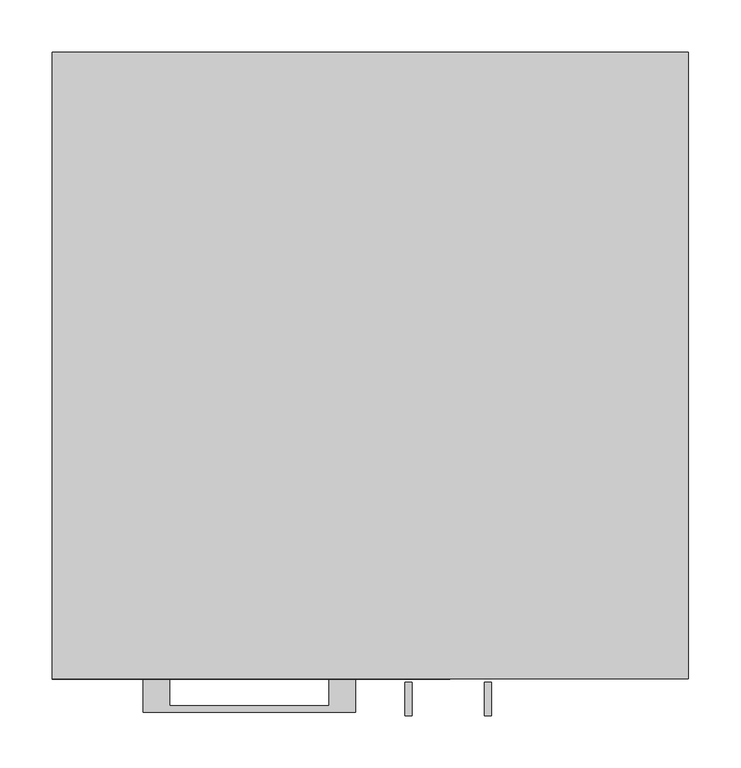
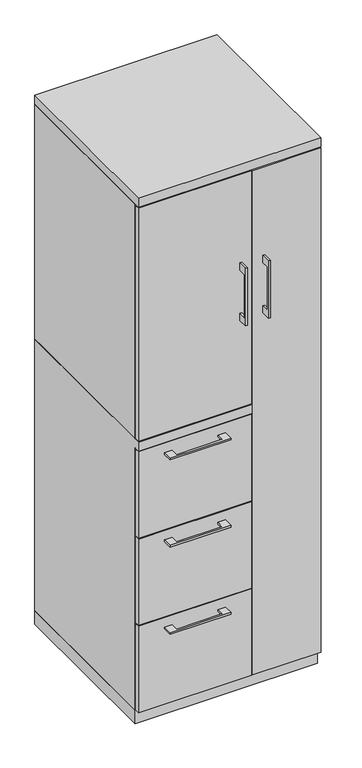
"""IFC4 building model written with IfcOpenShell, lengths in millimetres: furniture geometry."""

from ifc_helpers import new_model, si_unit, frame, origin, origin_with_axes, place, context, project, spatial, polyline, outline, extrude, faceted_brep, source, transform, mapped, element, save


def furniture_9db1c1f6(model_context):
    return source(origin(), model_context, "Body", "SolidModel", [
        extrude(outline(polyline([(-192.0874818, -600.075), (-192.0874818, -625.4749758), (-39.6875, -625.4749758), (-39.6875, -600.075), (-14.2875061, -600.075), (-14.2875061, -631.8249879), (-217.4874939, -631.8249879), (-217.4874939, -600.075), (-192.0874818, -600.075)])), frame((0.0, 0.0, 931.8625506), z_axis=(0.0, 0.0, 1.0), x_axis=(1.0, 0.0, 0.0)), (0.0, 0.0, 1.0), 6.3499758),
        extrude(outline(polyline([(73.025, -581.025), (73.025, -600.075), (-304.8, -600.075), (-304.8, -581.025), (73.025, -581.025)])), frame((0.0, 0.0, 666.75), z_axis=(0.0, 0.0, 1.0), x_axis=(1.0, 0.0, 0.0)), (0.0, 0.0, 1.0), 304.8),
        extrude(outline(polyline([(-603.25, 1497.0125), (-628.6499758, 1497.0125), (-628.6499758, 1344.6125), (-603.25, 1344.6125), (-603.25, 1319.2125), (-634.9999879, 1319.2125), (-634.9999879, 1522.4125), (-603.25, 1522.4125), (-603.25, 1497.0125)])), frame((33.3375121, 0.0, 0.0), z_axis=(1.0, 0.0, 0.0), x_axis=(0.0, 1.0, 0.0)), (0.0, 0.0, 1.0), 6.3499758),
        extrude(outline(polyline([(-304.8, -600.075), (-304.8, -581.025), (73.025, -581.025), (73.025, -600.075), (-304.8, -600.075)])), frame((0.0, 0.0, 1009.65), z_axis=(0.0, 0.0, 1.0), x_axis=(1.0, 0.0, 0.0)), (0.0, 0.0, 1.0), 822.325),
        extrude(outline(polyline([(-192.0874818, -600.075), (-192.0874818, -625.4749758), (-39.6875, -625.4749758), (-39.6875, -600.075), (-14.2875061, -600.075), (-14.2875061, -631.8249879), (-217.4874939, -631.8249879), (-217.4874939, -600.075), (-192.0874818, -600.075)])), frame((0.0, 0.0, 623.8875506), z_axis=(0.0, 0.0, 1.0), x_axis=(1.0, 0.0, 0.0)), (0.0, 0.0, 1.0), 6.3499758),
        extrude(outline(polyline([(73.025, -581.025), (73.025, -600.075), (-304.8, -600.075), (-304.8, -581.025), (73.025, -581.025)])), frame((0.0, 0.0, 358.775), z_axis=(0.0, 0.0, 1.0), x_axis=(1.0, 0.0, 0.0)), (0.0, 0.0, 1.0), 304.8),
        extrude(outline(polyline([(-603.25, 1497.0125), (-628.6499758, 1497.0125), (-628.6499758, 1344.6125), (-603.25, 1344.6125), (-603.25, 1319.2125), (-634.9999879, 1319.2125), (-634.9999879, 1522.4125), (-603.25, 1522.4125), (-603.25, 1497.0125)])), frame((109.5375121, 0.0, 0.0), z_axis=(1.0, 0.0, 0.0), x_axis=(0.0, 1.0, 0.0)), (0.0, 0.0, 1.0), 6.3499758),
        extrude(outline(polyline([(304.8, -600.075), (76.2, -600.075), (76.2, -581.025), (304.8, -581.025), (304.8, -600.075)])), frame((0.0, 0.0, 50.8), z_axis=(0.0, 0.0, 1.0), x_axis=(1.0, 0.0, 0.0)), (0.0, 0.0, 1.0), 1781.175),
        extrude(outline(polyline([(-192.0874818, -600.075), (-192.0874818, -625.4749758), (-39.6875, -625.4749758), (-39.6875, -600.075), (-14.2875061, -600.075), (-14.2875061, -631.8249879), (-217.4874939, -631.8249879), (-217.4874939, -600.075), (-192.0874818, -600.075)])), frame((0.0, 0.0, 315.9125506), z_axis=(0.0, 0.0, 1.0), x_axis=(1.0, 0.0, 0.0)), (0.0, 0.0, 1.0), 6.3499758),
        extrude(outline(polyline([(73.025, -581.025), (73.025, -600.075), (-304.8, -600.075), (-304.8, -581.025), (73.025, -581.025)])), frame((0.0, 0.0, 50.8), z_axis=(0.0, 0.0, 1.0), x_axis=(1.0, 0.0, 0.0)), (0.0, 0.0, 1.0), 304.8),
        faceted_brep([(-304.8, -581.025, 47.625), (-304.8, 0.0, 47.625), (76.2, 0.0, 47.625), (76.2, -581.025, 47.625), (-304.8, 0.0, 1006.475), (76.2, 0.0, 1006.475), (-304.8, -581.025, 974.725), (-304.8, -600.075, 974.725), (-304.8, -600.075, 1006.475), (76.2, -581.025, 974.725), (57.15, -581.025, 974.725), (76.2, -581.025, 1835.15), (57.15, -581.025, 1835.15), (57.15, -581.025, 1006.475), (76.2, -581.025, 1006.475), (76.2, -19.05, 1006.475), (76.2, -19.05, 1835.15), (76.2, -600.075, 1006.475), (76.2, -600.075, 974.725), (57.15, -19.05, 1835.15), (57.15, -19.05, 1006.475)], [[[0, 1, 2, 3]], [[2, 1, 4, 5]], [[4, 1, 0, 6, 7, 8]], [[6, 0, 3, 9, 10]], [[11, 12, 13, 14]], [[2, 5, 15, 16, 11, 14, 17, 18, 9, 3]], [[16, 19, 12, 11]], [[19, 16, 15, 20]], [[12, 19, 20, 13]], [[5, 4, 8, 17, 14, 13, 20, 15]], [[18, 7, 6, 10, 9]], [[17, 8, 7, 18]]]),
        extrude(outline(polyline([(76.2, 0.0), (76.2, -19.05), (-285.75, -19.05), (-285.75, -581.025), (-304.8, -581.025), (-304.8, 0.0), (76.2, 0.0)])), frame((0.0, 0.0, 1006.475), z_axis=(0.0, 0.0, 1.0), x_axis=(1.0, 0.0, 0.0)), (0.0, 0.0, 1.0), 828.675),
        extrude(outline(polyline([(304.8, 0.0), (304.8, -581.025), (285.75, -581.025), (285.75, -19.05), (76.2, -19.05), (76.2, 0.0), (304.8, 0.0)])), frame((0.0, 0.0, 47.625), z_axis=(0.0, 0.0, 1.0), x_axis=(1.0, 0.0, 0.0)), (0.0, 0.0, 1.0), 1787.525),
        extrude(outline(polyline([(304.8, 0.0), (304.8, -600.075), (-304.8, -600.075), (-304.8, 0.0), (304.8, 0.0)])), frame((0.0, 0.0, 1835.15), z_axis=(0.0, 0.0, 1.0), x_axis=(1.0, 0.0, 0.0)), (0.0, 0.0, 1.0), 31.75),
        extrude(outline(polyline([(304.8, 0.0), (304.8, -581.025), (-304.8, -581.025), (-304.8, 0.0), (304.8, 0.0)])), origin_with_axes(), (0.0, 0.0, 1.0), 47.625),
    ])


if __name__ == "__main__":
    model = new_model("IFC4")
    model_context = context("Model", 3, world=origin())
    ifc_project = project(units=[si_unit("LENGTHUNIT", "METRE", prefix="MILLI")], contexts=[model_context])
    site = spatial("IfcSite", under=ifc_project)
    building = spatial("IfcBuilding", under=site)
    placement = place(None, origin())
    furniture_shape = furniture_9db1c1f6(model_context)
    element("IfcFurniture", 1, at=placement, inside=building, context=model_context, shape_type="MappedRepresentation", body=[
        mapped(furniture_shape, transform((0.0, 0.0, 0.0), x_axis=(1.0, 0.0, 0.0), y_axis=(0.0, 1.0, 0.0), z_axis=(0.0, 0.0, 1.0))),
    ])
    save(model, "model.ifc")
